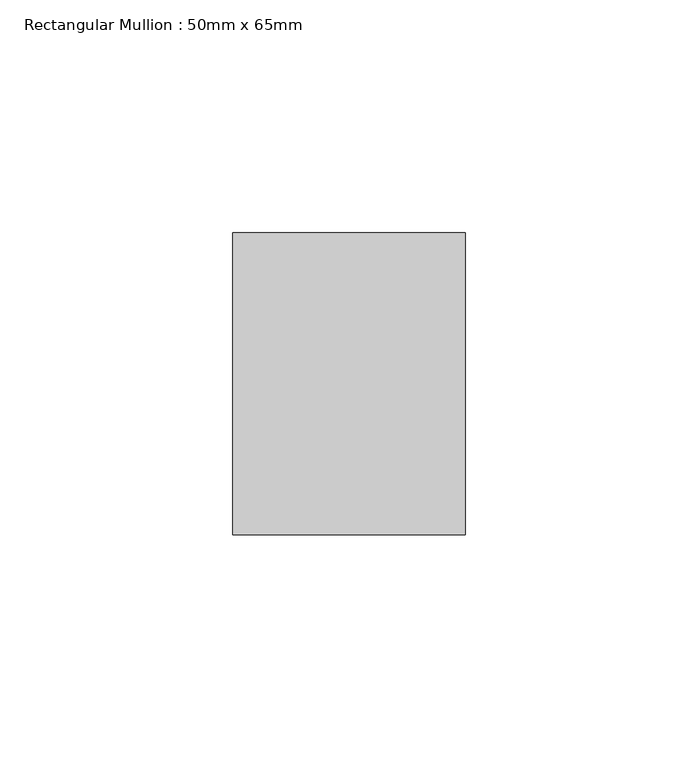
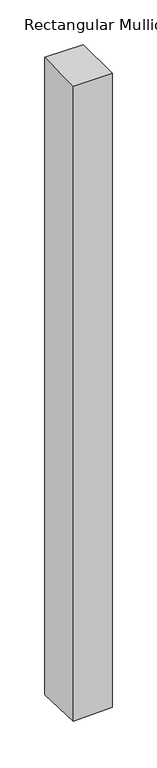
"""IFC4 building model written with IfcOpenShell, lengths in millimetres: member geometry, Rectangular Mullion : 50mm x 65mm."""

from ifc_helpers import new_model, si_unit, origin, place, context, project, spatial, faceted_brep, source, transform, mapped, element, save


def rectangular_mullion_50mm_x_65mm_85fcc947(model_context):
    return source(origin(), model_context, "Body", "Brep", [
        faceted_brep([(25.0, 32.5, 0.0), (-25.0, 32.5, 0.0), (-25.0, -32.5, 0.0), (25.0, -32.5, 0.0), (25.0, 32.5, -872.3235991), (-25.0, 32.5, -873.9739516), (-25.0, -32.5, -871.1259158), (25.0, -32.5, -869.4755632)], [[[0, 1, 2, 3]], [[1, 0, 4, 5]], [[2, 1, 5, 6]], [[3, 2, 6, 7]], [[0, 3, 7, 4]], [[4, 7, 6, 5]]]),
    ])


if __name__ == "__main__":
    model = new_model("IFC4")
    model_context = context("Model", 3, world=origin())
    ifc_project = project(units=[si_unit("LENGTHUNIT", "METRE", prefix="MILLI")], contexts=[model_context])
    site = spatial("IfcSite", under=ifc_project)
    building = spatial("IfcBuilding", under=site)
    placement = place(None, origin())
    rectangular_mullion_50mm_x_65mm_shape = rectangular_mullion_50mm_x_65mm_85fcc947(model_context)
    element("IfcMember", 1, ObjectType="Rectangular Mullion : 50mm x 65mm", at=placement, inside=building, context=model_context, shape_type="MappedRepresentation", body=[
        mapped(rectangular_mullion_50mm_x_65mm_shape, transform((0.0, 0.0, 0.0), x_axis=(1.0, 0.0, 0.0), y_axis=(0.0, 1.0, 0.0), z_axis=(0.0, 0.0, 1.0))),
    ])
    save(model, "model.ifc")
